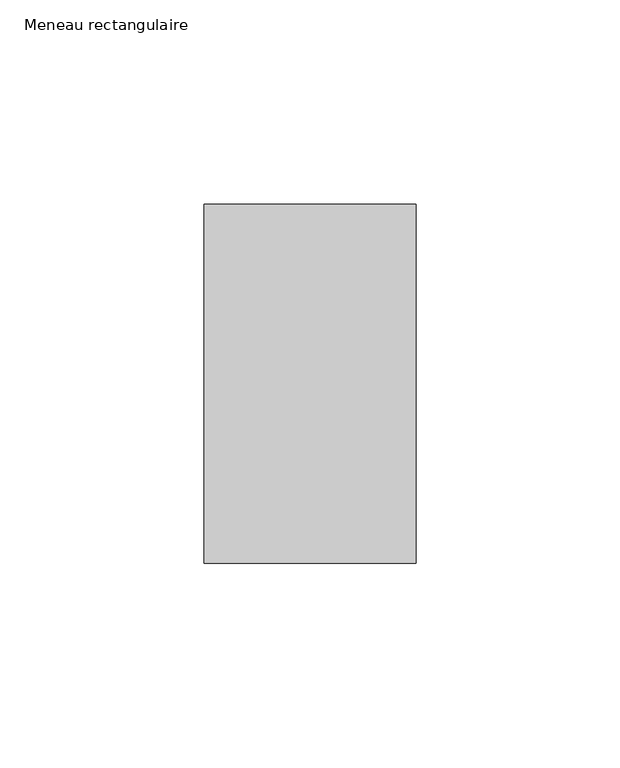
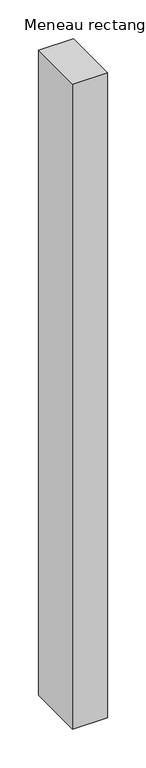
"""IFC4 building model written with IfcOpenShell, lengths in millimetres: member geometry, Meneau rectangulaire."""

from ifc_helpers import new_model, si_unit, frame, origin, place, context, project, spatial, polyline, outline, extrude, source, transform, mapped, element, save


def meneau_rectangulaire_c3c6e4e3(model_context):
    return source(origin(), model_context, "Body", "SweptSolid", [
        extrude(outline(polyline([(-52.0, 44.0), (0.0, 44.0), (0.0, -44.0), (-52.0, -44.0), (-52.0, 44.0)])), frame((0.0, 0.0, -1018.2164022), z_axis=(0.0, 0.0, 1.0), x_axis=(1.0, 0.0, 0.0)), (0.0, 0.0, 1.0), 1018.2164022),
    ])


if __name__ == "__main__":
    model = new_model("IFC4")
    model_context = context("Model", 3, world=origin())
    ifc_project = project(units=[si_unit("LENGTHUNIT", "METRE", prefix="MILLI")], contexts=[model_context])
    site = spatial("IfcSite", under=ifc_project)
    building = spatial("IfcBuilding", under=site)
    placement = place(None, origin())
    meneau_rectangulaire_shape = meneau_rectangulaire_c3c6e4e3(model_context)
    element("IfcMember", 1, ObjectType="Meneau rectangulaire", at=placement, inside=building, context=model_context, shape_type="MappedRepresentation", body=[
        mapped(meneau_rectangulaire_shape, transform((0.0, 0.0, 0.0), x_axis=(1.0, 0.0, 0.0), y_axis=(0.0, 1.0, 0.0), z_axis=(0.0, 0.0, 1.0))),
    ])
    save(model, "model.ifc")
